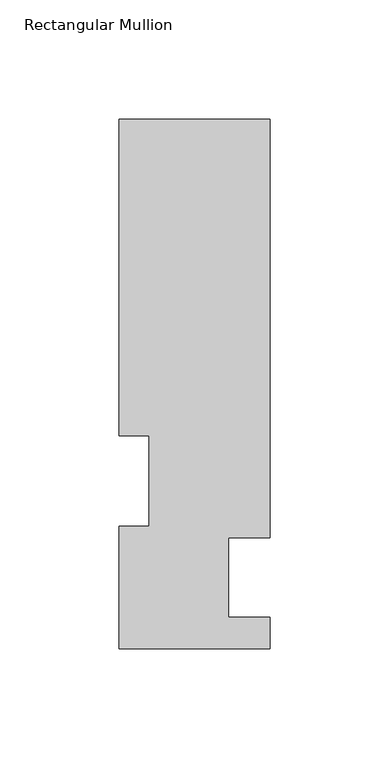
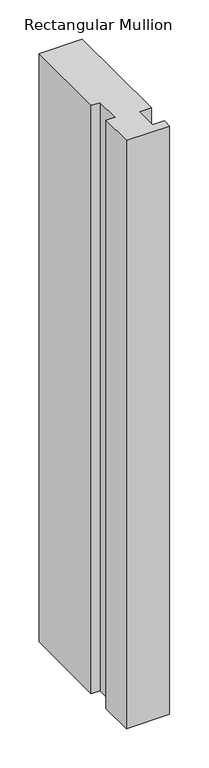
"""IFC4 building model written with IfcOpenShell, lengths in millimetres: member geometry, Rectangular Mullion."""

from ifc_helpers import new_model, si_unit, frame, origin, place, context, project, spatial, polyline, outline, extrude, source, transform, mapped, element, save


def rectangular_mullion_b57e3e9d(model_context):
    return source(origin(), model_context, "Body", "SweptSolid", [
        extrude(outline(polyline([(31.7500002, 222.5381313), (31.7500002, 46.7447312), (14.2747998, 46.7447312), (14.2747998, 13.3945314), (31.7499998, 13.3945314), (31.7499998, 0.2119314), (-31.7500002, 0.2119314), (-31.7500002, 51.4945313), (-19.0500002, 51.4945313), (-19.0500002, 89.5945313), (-31.7499998, 89.5945313), (-31.7499998, 222.5381313), (31.7500002, 222.5381313)])), frame((0.0, 0.0, -914.4), z_axis=(0.0, 0.0, 1.0), x_axis=(1.0, 0.0, 0.0)), (0.0, 0.0, 1.0), 914.4),
    ])


if __name__ == "__main__":
    model = new_model("IFC4")
    model_context = context("Model", 3, world=origin())
    ifc_project = project(units=[si_unit("LENGTHUNIT", "METRE", prefix="MILLI")], contexts=[model_context])
    site = spatial("IfcSite", under=ifc_project)
    building = spatial("IfcBuilding", under=site)
    placement = place(None, origin())
    rectangular_mullion_shape = rectangular_mullion_b57e3e9d(model_context)
    element("IfcMember", 1, ObjectType="Rectangular Mullion", at=placement, inside=building, context=model_context, shape_type="MappedRepresentation", body=[
        mapped(rectangular_mullion_shape, transform((0.0, 0.0, 0.0), x_axis=(1.0, 0.0, 0.0), y_axis=(0.0, 1.0, 0.0), z_axis=(0.0, 0.0, 1.0))),
    ])
    save(model, "model.ifc")
